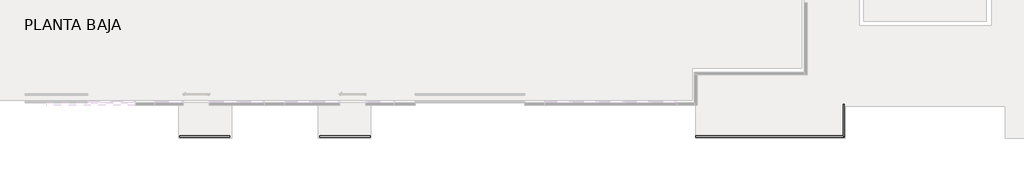
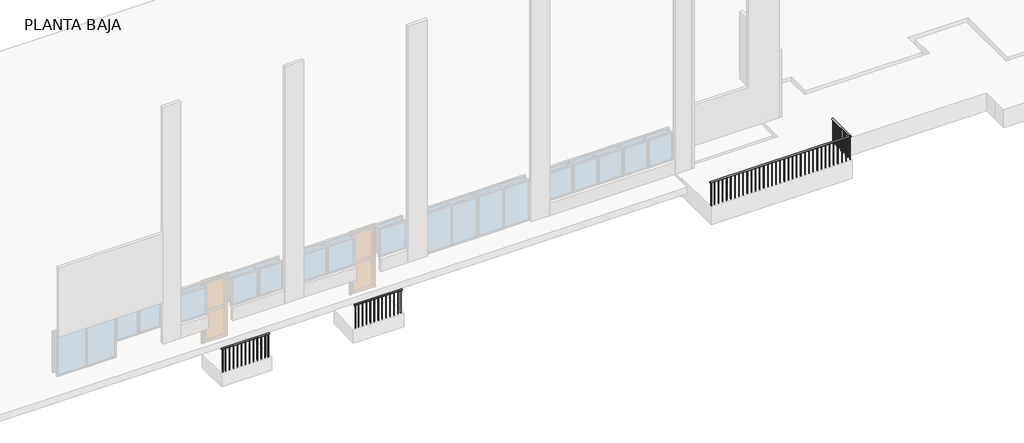
# One storey, part 3 of 4: 3 railings.
"""IFC4 building model written with IfcOpenShell, lengths in millimetres."""

import ifcopenshell
import ifcopenshell.guid

model = None  # the IFC model being written
_history = None  # IfcOwnerHistory: only IFC2X3 demands one
_inside = {}  # id of a spatial element -> (the spatial element, [elements in it])
_under = {}  # id of a project, library or spatial element -> (it, [spatial elements below it])
_declared = {}  # id of a project -> (the project, [libraries it declares])
_typed = {}  # id of a type object -> (the type object, [elements of that type])
_made_of = {}  # id of a material, layer set ... -> (it, [elements and type objects made of it])


def new_model(schema):
    """Start an empty IFC model of exactly this schema.

    Asked for "IFC4X3", IfcOpenShell would pick the latest addendum, in which some entities
    have other attributes; the version numbers below select the first issue.
    IFC2X3 requires an IfcOwnerHistory on every rooted entity: one is made here for all.
    """
    global model, _history
    if schema == "IFC4X3":
        model = ifcopenshell.file(schema_version=(4, 3, 0, 0))
    else:
        model = ifcopenshell.file(schema=schema)
    _inside.clear()
    _under.clear()
    _declared.clear()
    _typed.clear()
    _made_of.clear()
    _history = None
    if model.schema == "IFC2X3":
        org = make("IfcOrganization", Name="unknown")
        user = make(
            "IfcPersonAndOrganization",
            ThePerson=make("IfcPerson", FamilyName="unknown"),
            TheOrganization=org,
        )
        app = make(
            "IfcApplication",
            ApplicationDeveloper=org,
            Version="unknown",
            ApplicationFullName="unknown",
            ApplicationIdentifier="unknown",
        )
        _history = make(
            "IfcOwnerHistory",
            OwningUser=user,
            OwningApplication=app,
            ChangeAction="ADDED",
            CreationDate=0,
        )
    return model


def make(cls, **values):
    """One entity of the class cls with the attributes given. An attribute that is None is left unset."""
    return model.create_entity(
        cls, **{name: value for name, value in values.items() if value is not None}
    )


def rooted(cls, **values):
    """An entity with a GlobalId (a new one), such as an element, a storey or a relation."""
    return make(cls, GlobalId=ifcopenshell.guid.new(), OwnerHistory=_history, **values)


def si_unit(unit_type, name, prefix=None):
    """IfcSIUnit, for example si_unit("LENGTHUNIT", "METRE", prefix="MILLI")."""
    return make("IfcSIUnit", UnitType=unit_type, Prefix=prefix, Name=name)


def assignment(units):
    """IfcUnitAssignment: the units of a project."""
    return None if units is None else make("IfcUnitAssignment", Units=units)


def point(xyz):
    """IfcCartesianPoint."""
    return None if xyz is None else make("IfcCartesianPoint", Coordinates=xyz)


def direction(xyz):
    """IfcDirection."""
    return None if xyz is None else make("IfcDirection", DirectionRatios=xyz)


def frame(location, z_axis=None, x_axis=None):
    """IfcAxis2Placement3D, a coordinate frame: its origin and axes. An axis left out is left unset."""
    return make(
        "IfcAxis2Placement3D",
        Location=point(location),
        Axis=direction(z_axis),
        RefDirection=direction(x_axis),
    )


def frame_2d(location, x_axis=None):
    """IfcAxis2Placement2D, a coordinate frame in the plane: its origin and x axis."""
    return make(
        "IfcAxis2Placement2D", Location=point(location), RefDirection=direction(x_axis)
    )


def origin():
    """The frame at (0, 0, 0) with its axes left unset."""
    return frame((0.0, 0.0, 0.0))


def place(relative_to, where):
    """IfcLocalPlacement: puts the frame where relative to a parent placement (None: the world)."""
    return make(
        "IfcLocalPlacement", PlacementRelTo=relative_to, RelativePlacement=where
    )


def context(
    kind, dimensions, precision=None, world=None, true_north=None, identifier=None
):
    """IfcGeometricRepresentationContext, for example the 3D "Model" context."""
    return make(
        "IfcGeometricRepresentationContext",
        ContextIdentifier=identifier,
        ContextType=kind,
        CoordinateSpaceDimension=dimensions,
        Precision=precision,
        WorldCoordinateSystem=world,
        TrueNorth=true_north,
    )


def project(units=None, contexts=None):
    """IfcProject with its units and contexts."""
    return rooted(
        "IfcProject",
        Name="project",
        RepresentationContexts=contexts,
        UnitsInContext=assignment(units),
    )


def spatial(cls, under=None, at=None, **own):
    """A site, building, storey or space (cls), placed at a placement, below another one or the project."""
    s = rooted(cls, ObjectPlacement=at, **own)
    if under is not None:
        _under.setdefault(under.id(), (under, []))[1].append(s)
    return s


def circle_curve(where, radius):
    """IfcCircle in the frame where."""
    return make("IfcCircle", Position=where, Radius=radius)


def ellipse_curve(where, semi_axis1, semi_axis2):
    """IfcEllipse in the frame where."""
    return make(
        "IfcEllipse", Position=where, SemiAxis1=semi_axis1, SemiAxis2=semi_axis2
    )


def trimmed(basis, trim1, trim2, sense, master):
    """IfcTrimmedCurve: the piece of a basis curve between two trims."""
    return make(
        "IfcTrimmedCurve",
        BasisCurve=basis,
        Trim1=trim1,
        Trim2=trim2,
        SenseAgreement=sense,
        MasterRepresentation=master,
    )


def segment(curve, same_sense, transition):
    """IfcCompositeCurveSegment."""
    return make(
        "IfcCompositeCurveSegment",
        Transition=transition,
        SameSense=same_sense,
        ParentCurve=curve,
    )


def composite_curve(segments, self_intersect=None):
    """IfcCompositeCurve: segments joined end to end."""
    return make("IfcCompositeCurve", Segments=segments, SelfIntersect=self_intersect)


def outline(outer, holes=None, kind="AREA"):
    """IfcArbitraryClosedProfileDef: a profile drawn as a closed curve; with holes, ...WithVoids."""
    if holes is None:
        return make("IfcArbitraryClosedProfileDef", ProfileType=kind, OuterCurve=outer)
    return make(
        "IfcArbitraryProfileDefWithVoids",
        ProfileType=kind,
        OuterCurve=outer,
        InnerCurves=holes,
    )


def extrude(swept, where, along, depth):
    """IfcExtrudedAreaSolid: the profile swept, set in the frame where, extruded along a direction by depth."""
    return make(
        "IfcExtrudedAreaSolid",
        SweptArea=swept,
        Position=where,
        ExtrudedDirection=direction(along),
        Depth=depth,
    )


def shape(context_of_items, identifier, shape_type, items):
    """IfcShapeRepresentation: the items that make up one representation, for example the "Body"."""
    return make(
        "IfcShapeRepresentation",
        ContextOfItems=context_of_items,
        RepresentationIdentifier=identifier,
        RepresentationType=shape_type,
        Items=items,
    )


def made_of(thing, what):
    """Note that an element or type object is made of a material, layer set ...; save() writes the relation."""
    if what is not None:
        _made_of.setdefault(what.id(), (what, []))[1].append(thing)
    return thing


def element(
    cls,
    number,
    at=None,
    inside=None,
    cuts=None,
    type_object=None,
    material=None,
    context=None,
    identifier="Body",
    shape_type=None,
    held_by="IfcProductDefinitionShape",
    body=None,
    shapes=None,
    **own,
):
    """One element of the class cls, such as IfcWall. Its Tag is "e" and its number.

    at: its placement. inside: the storey or other place that contains it. cuts: it is an
    opening in that element (IfcRelVoidsElement). A single representation is given by context,
    identifier, shape_type and body (its items); several are given by shapes. held_by: the class
    of the entity that holds the representations. save() writes the other relations.
    """
    e = rooted(cls, Tag="e%d" % number, ObjectPlacement=at, **own)
    if body is not None:
        shapes = [shape(context, identifier, shape_type, body)]
    if shapes is not None:
        e.Representation = make(held_by, Representations=shapes)
    if inside is not None:
        _inside.setdefault(inside.id(), (inside, []))[1].append(e)
    if cuts is not None:
        rooted(
            "IfcRelVoidsElement", RelatingBuildingElement=cuts, RelatedOpeningElement=e
        )
    if type_object is not None:
        _typed.setdefault(type_object.id(), (type_object, []))[1].append(e)
    return made_of(e, material)


def aggregate(whole, parts):
    """IfcRelAggregates: a whole, such as a stair, and the parts it consists of."""
    return rooted("IfcRelAggregates", RelatingObject=whole, RelatedObjects=parts)


def save(model, path):
    """Write the relations noted so far, then the file.

    IfcRelAggregates (storeys below a building ...), IfcRelContainedInSpatialStructure (elements
    in a storey), IfcRelDefinesByType, IfcRelAssociatesMaterial and IfcRelDeclares: one each for
    every whole, place, type object, material and project.
    """
    for whole, parts in _under.values():
        aggregate(whole, parts)
    for where, things in _inside.values():
        rooted(
            "IfcRelContainedInSpatialStructure",
            RelatedElements=things,
            RelatingStructure=where,
        )
    for kind, things in _typed.values():
        rooted("IfcRelDefinesByType", RelatedObjects=things, RelatingType=kind)
    for what, things in _made_of.values():
        rooted("IfcRelAssociatesMaterial", RelatedObjects=things, RelatingMaterial=what)
    for by, libraries in _declared.values():
        rooted("IfcRelDeclares", RelatingContext=by, RelatedDefinitions=libraries)
    model.write(path)


def plane_surface(at):
    """IfcPlane: the flat surface through the origin of the frame at, square to its z axis."""
    return make("IfcPlane", Position=at)


def cylinder_surface(at, radius):
    """IfcCylindricalSurface: all points at the distance radius from the z axis of the frame at."""
    return make("IfcCylindricalSurface", Position=at, Radius=radius)


def advanced_brep(points, edges, surfaces, faces):
    """IfcAdvancedBrep: a solid bounded by faces that lie on surfaces and meet in shared edges.

    An edge is (start, end): straight between two places in points (the first is 0);
    or (start, end, curve); or (start, end, curve, False) where it runs against its curve.
    A face is (place in surfaces, loops), or (place, loops, False) where it looks against
    its surface's normal. A loop lists edges by number (the first is 1), with a minus sign
    where the edge is run from its end to its start. The first loop is the outer one.
    """
    corners = [point(p) for p in points]
    vertices = [make("IfcVertexPoint", VertexGeometry=c) for c in corners]
    made = []
    for start, end, *more in edges:
        made.append(
            make(
                "IfcEdgeCurve",
                EdgeStart=vertices[start],
                EdgeEnd=vertices[end],
                EdgeGeometry=more[0] if more else make("IfcPolyline", Points=[corners[start], corners[end]]),
                SameSense=more[1] if len(more) > 1 else True,
            )
        )
    hull = []
    for where, loops, *sense in faces:
        bounds = []
        for j, loop in enumerate(loops):
            ring = [make("IfcOrientedEdge", EdgeElement=made[abs(k) - 1], Orientation=k > 0) for k in loop]
            bounds.append(
                make(
                    "IfcFaceOuterBound" if j == 0 else "IfcFaceBound",
                    Bound=make("IfcEdgeLoop", EdgeList=ring),
                    Orientation=True,
                )
            )
        hull.append(make("IfcAdvancedFace", Bounds=bounds, FaceSurface=surfaces[where], SameSense=sense[0] if sense else True))
    return make("IfcAdvancedBrep", Outer=make("IfcClosedShell", CfsFaces=hull))


model = new_model("IFC4")

# Units and contexts
model_context = context("Model", 3, world=origin())
ifc_project = project(units=[si_unit("LENGTHUNIT", "METRE", prefix="MILLI")], contexts=[model_context])

# Site, building, storey
site = spatial("IfcSite", under=ifc_project)
building = spatial("IfcBuilding", under=site)
storey = spatial("IfcBuildingStorey", under=building, Name="PLANTA BAJA", Elevation=700.0)

# Railings
placement = place(None, origin())
element("IfcRailing", 1, at=placement, inside=storey, context=model_context, shape_type="SolidModel", body=[
    advanced_brep(
    [(-7920.0, -1982.1086819, 1600.0), (-7920.0, -1932.1086819, 1600.0), (-2775.0, -1982.1086819, 1600.0), (-2825.0, -1932.1086819, 1600.0), (-2775.0, -837.1086819, 1600.0), (-2825.0, -837.1086819, 1600.0)],
    [
        (0, 1, circle_curve(frame((-7920.0, -1957.1086819, 1600.0), z_axis=(-1.0, 0.0, 0.0), x_axis=(0.0, 1.0, 0.0)), 25.0)),
        (1, 0, circle_curve(frame((-7920.0, -1957.1086819, 1600.0), z_axis=(-1.0, 0.0, 0.0), x_axis=(0.0, 1.0, 0.0)), 25.0)),
        (0, 2),
        (2, 3, ellipse_curve(frame((-2800.0, -1957.1086819, 1600.0), z_axis=(-0.7071067811865493, -0.7071067811865456, 0.0), x_axis=(-0.7071067811865457, 0.7071067811865493, 0.0)), 35.3553391, 25.0)),
        (3, 1),
        (3, 2, ellipse_curve(frame((-2800.0, -1957.1086819, 1600.0), z_axis=(-0.7071067811865493, -0.7071067811865456, 0.0), x_axis=(-0.7071067811865457, 0.7071067811865493, 0.0)), 35.3553391, 25.0)),
        (4, 5, circle_curve(frame((-2800.0, -837.1086819, 1600.0), z_axis=(0.0, 1.0, 0.0), x_axis=(-1.0, 0.0, 0.0)), 25.0)),
        (5, 4, circle_curve(frame((-2800.0, -837.1086819, 1600.0), z_axis=(0.0, 1.0, 0.0), x_axis=(-1.0, 0.0, 0.0)), 25.0)),
        (2, 4),
        (5, 3),
    ],
    [
        plane_surface(frame((-7920.0, -1957.1086819, 1600.0), z_axis=(-1.0, 0.0, 0.0), x_axis=(0.0, 1.0, 0.0))),
        cylinder_surface(frame((-7920.0, -1957.1086819, 1600.0), z_axis=(-1.0, 0.0, 0.0), x_axis=(0.0, 1.0, 0.0)), 25.0),
        plane_surface(frame((-2800.0, -837.1086819, 1600.0), z_axis=(0.0, 1.0, 0.0), x_axis=(0.0, 0.0, 1.0))),
        cylinder_surface(frame((-2800.0, -1957.1086819, 1600.0), z_axis=(0.0, -1.0, 0.0), x_axis=(-1.0, 0.0, 0.0)), 25.0),
    ],
    [
        (0, [[1, 2]]),
        (1, [[-1, 3, 4, 5]]),
        (1, [[-2, -5, 6, -3]]),
        (2, [[7, 8]]),
        (3, [[-4, 9, -8, 10]]),
        (3, [[-6, -10, -7, -9]]),
    ],
),
    extrude(outline(composite_curve([segment(trimmed(circle_curve(frame_2d((-2800.0, -974.4310123)), 10.0), [point((-2810.0, -974.4310123))], [point((-2790.0, -974.4310123))], False, "CARTESIAN"), True, "CONTINUOUS"), segment(trimmed(circle_curve(frame_2d((-2800.0, -974.4310123)), 10.0), [point((-2790.0, -974.4310123))], [point((-2810.0, -974.4310123))], False, "CARTESIAN"), True, "CONTINUOUS")], self_intersect=False)), frame((0.0, 0.0, 700.0), z_axis=(0.0, 0.0, 1.0), x_axis=(1.0, 0.0, 0.0)), (0.0, 0.0, 1.0), 875.0),
    extrude(outline(composite_curve([segment(trimmed(circle_curve(frame_2d((-2800.0, -1111.7533428)), 10.0), [point((-2810.0, -1111.7533428))], [point((-2790.0, -1111.7533428))], False, "CARTESIAN"), True, "CONTINUOUS"), segment(trimmed(circle_curve(frame_2d((-2800.0, -1111.7533428)), 10.0), [point((-2790.0, -1111.7533428))], [point((-2810.0, -1111.7533428))], False, "CARTESIAN"), True, "CONTINUOUS")], self_intersect=False)), frame((0.0, 0.0, 700.0), z_axis=(0.0, 0.0, 1.0), x_axis=(1.0, 0.0, 0.0)), (0.0, 0.0, 1.0), 875.0),
    extrude(outline(composite_curve([segment(trimmed(circle_curve(frame_2d((-2800.0, -1249.0756733)), 10.0), [point((-2810.0, -1249.0756733))], [point((-2790.0, -1249.0756733))], False, "CARTESIAN"), True, "CONTINUOUS"), segment(trimmed(circle_curve(frame_2d((-2800.0, -1249.0756733)), 10.0), [point((-2790.0, -1249.0756733))], [point((-2810.0, -1249.0756733))], False, "CARTESIAN"), True, "CONTINUOUS")], self_intersect=False)), frame((0.0, 0.0, 700.0), z_axis=(0.0, 0.0, 1.0), x_axis=(1.0, 0.0, 0.0)), (0.0, 0.0, 1.0), 875.0),
    extrude(outline(composite_curve([segment(trimmed(circle_curve(frame_2d((-2800.0, -1529.0756733)), 10.0), [point((-2810.0, -1529.0756733))], [point((-2790.0, -1529.0756733))], False, "CARTESIAN"), True, "CONTINUOUS"), segment(trimmed(circle_curve(frame_2d((-2800.0, -1529.0756733)), 10.0), [point((-2790.0, -1529.0756733))], [point((-2810.0, -1529.0756733))], False, "CARTESIAN"), True, "CONTINUOUS")], self_intersect=False)), frame((0.0, 0.0, 700.0), z_axis=(0.0, 0.0, 1.0), x_axis=(1.0, 0.0, 0.0)), (0.0, 0.0, 1.0), 875.0),
    extrude(outline(composite_curve([segment(trimmed(circle_curve(frame_2d((-2800.0, -1671.7533428)), 10.0), [point((-2810.0, -1671.7533428))], [point((-2790.0, -1671.7533428))], False, "CARTESIAN"), True, "CONTINUOUS"), segment(trimmed(circle_curve(frame_2d((-2800.0, -1671.7533428)), 10.0), [point((-2790.0, -1671.7533428))], [point((-2810.0, -1671.7533428))], False, "CARTESIAN"), True, "CONTINUOUS")], self_intersect=False)), frame((0.0, 0.0, 700.0), z_axis=(0.0, 0.0, 1.0), x_axis=(1.0, 0.0, 0.0)), (0.0, 0.0, 1.0), 875.0),
    extrude(outline(composite_curve([segment(trimmed(circle_curve(frame_2d((-2800.0, -1814.4310123)), 10.0), [point((-2810.0, -1814.4310123))], [point((-2790.0, -1814.4310123))], False, "CARTESIAN"), True, "CONTINUOUS"), segment(trimmed(circle_curve(frame_2d((-2800.0, -1814.4310123)), 10.0), [point((-2790.0, -1814.4310123))], [point((-2810.0, -1814.4310123))], False, "CARTESIAN"), True, "CONTINUOUS")], self_intersect=False)), frame((0.0, 0.0, 700.0), z_axis=(0.0, 0.0, 1.0), x_axis=(1.0, 0.0, 0.0)), (0.0, 0.0, 1.0), 875.0),
    extrude(outline(composite_curve([segment(trimmed(circle_curve(frame_2d((-2950.5882353, -1957.1086819)), 10.0), [point((-2950.5882353, -1947.1086819))], [point((-2950.5882353, -1967.1086819))], False, "CARTESIAN"), True, "CONTINUOUS"), segment(trimmed(circle_curve(frame_2d((-2950.5882353, -1957.1086819)), 10.0), [point((-2950.5882353, -1967.1086819))], [point((-2950.5882353, -1947.1086819))], False, "CARTESIAN"), True, "CONTINUOUS")], self_intersect=False)), frame((0.0, 0.0, 700.0), z_axis=(0.0, 0.0, 1.0), x_axis=(1.0, 0.0, 0.0)), (0.0, 0.0, 1.0), 875.0),
    extrude(outline(composite_curve([segment(trimmed(circle_curve(frame_2d((-3101.1764706, -1957.1086819)), 10.0), [point((-3101.1764706, -1947.1086819))], [point((-3101.1764706, -1967.1086819))], False, "CARTESIAN"), True, "CONTINUOUS"), segment(trimmed(circle_curve(frame_2d((-3101.1764706, -1957.1086819)), 10.0), [point((-3101.1764706, -1967.1086819))], [point((-3101.1764706, -1947.1086819))], False, "CARTESIAN"), True, "CONTINUOUS")], self_intersect=False)), frame((0.0, 0.0, 700.0), z_axis=(0.0, 0.0, 1.0), x_axis=(1.0, 0.0, 0.0)), (0.0, 0.0, 1.0), 875.0),
    extrude(outline(composite_curve([segment(trimmed(circle_curve(frame_2d((-3251.7647059, -1957.1086819)), 10.0), [point((-3251.7647059, -1947.1086819))], [point((-3251.7647059, -1967.1086819))], False, "CARTESIAN"), True, "CONTINUOUS"), segment(trimmed(circle_curve(frame_2d((-3251.7647059, -1957.1086819)), 10.0), [point((-3251.7647059, -1967.1086819))], [point((-3251.7647059, -1947.1086819))], False, "CARTESIAN"), True, "CONTINUOUS")], self_intersect=False)), frame((0.0, 0.0, 700.0), z_axis=(0.0, 0.0, 1.0), x_axis=(1.0, 0.0, 0.0)), (0.0, 0.0, 1.0), 875.0),
    extrude(outline(composite_curve([segment(trimmed(circle_curve(frame_2d((-3402.3529412, -1957.1086819)), 10.0), [point((-3402.3529412, -1947.1086819))], [point((-3402.3529412, -1967.1086819))], False, "CARTESIAN"), True, "CONTINUOUS"), segment(trimmed(circle_curve(frame_2d((-3402.3529412, -1957.1086819)), 10.0), [point((-3402.3529412, -1967.1086819))], [point((-3402.3529412, -1947.1086819))], False, "CARTESIAN"), True, "CONTINUOUS")], self_intersect=False)), frame((0.0, 0.0, 700.0), z_axis=(0.0, 0.0, 1.0), x_axis=(1.0, 0.0, 0.0)), (0.0, 0.0, 1.0), 875.0),
    extrude(outline(composite_curve([segment(trimmed(circle_curve(frame_2d((-3552.9411765, -1957.1086819)), 10.0), [point((-3552.9411765, -1947.1086819))], [point((-3552.9411765, -1967.1086819))], False, "CARTESIAN"), True, "CONTINUOUS"), segment(trimmed(circle_curve(frame_2d((-3552.9411765, -1957.1086819)), 10.0), [point((-3552.9411765, -1967.1086819))], [point((-3552.9411765, -1947.1086819))], False, "CARTESIAN"), True, "CONTINUOUS")], self_intersect=False)), frame((0.0, 0.0, 700.0), z_axis=(0.0, 0.0, 1.0), x_axis=(1.0, 0.0, 0.0)), (0.0, 0.0, 1.0), 875.0),
    extrude(outline(composite_curve([segment(trimmed(circle_curve(frame_2d((-3703.5294118, -1957.1086819)), 10.0), [point((-3703.5294118, -1947.1086819))], [point((-3703.5294118, -1967.1086819))], False, "CARTESIAN"), True, "CONTINUOUS"), segment(trimmed(circle_curve(frame_2d((-3703.5294118, -1957.1086819)), 10.0), [point((-3703.5294118, -1967.1086819))], [point((-3703.5294118, -1947.1086819))], False, "CARTESIAN"), True, "CONTINUOUS")], self_intersect=False)), frame((0.0, 0.0, 700.0), z_axis=(0.0, 0.0, 1.0), x_axis=(1.0, 0.0, 0.0)), (0.0, 0.0, 1.0), 875.0),
    extrude(outline(composite_curve([segment(trimmed(circle_curve(frame_2d((-3854.1176471, -1957.1086819)), 10.0), [point((-3854.1176471, -1947.1086819))], [point((-3854.1176471, -1967.1086819))], False, "CARTESIAN"), True, "CONTINUOUS"), segment(trimmed(circle_curve(frame_2d((-3854.1176471, -1957.1086819)), 10.0), [point((-3854.1176471, -1967.1086819))], [point((-3854.1176471, -1947.1086819))], False, "CARTESIAN"), True, "CONTINUOUS")], self_intersect=False)), frame((0.0, 0.0, 700.0), z_axis=(0.0, 0.0, 1.0), x_axis=(1.0, 0.0, 0.0)), (0.0, 0.0, 1.0), 875.0),
    extrude(outline(composite_curve([segment(trimmed(circle_curve(frame_2d((-4004.7058824, -1957.1086819)), 10.0), [point((-4004.7058824, -1947.1086819))], [point((-4004.7058824, -1967.1086819))], False, "CARTESIAN"), True, "CONTINUOUS"), segment(trimmed(circle_curve(frame_2d((-4004.7058824, -1957.1086819)), 10.0), [point((-4004.7058824, -1967.1086819))], [point((-4004.7058824, -1947.1086819))], False, "CARTESIAN"), True, "CONTINUOUS")], self_intersect=False)), frame((0.0, 0.0, 700.0), z_axis=(0.0, 0.0, 1.0), x_axis=(1.0, 0.0, 0.0)), (0.0, 0.0, 1.0), 875.0),
    extrude(outline(composite_curve([segment(trimmed(circle_curve(frame_2d((-4155.2941176, -1957.1086819)), 10.0), [point((-4155.2941176, -1947.1086819))], [point((-4155.2941176, -1967.1086819))], False, "CARTESIAN"), True, "CONTINUOUS"), segment(trimmed(circle_curve(frame_2d((-4155.2941176, -1957.1086819)), 10.0), [point((-4155.2941176, -1967.1086819))], [point((-4155.2941176, -1947.1086819))], False, "CARTESIAN"), True, "CONTINUOUS")], self_intersect=False)), frame((0.0, 0.0, 700.0), z_axis=(0.0, 0.0, 1.0), x_axis=(1.0, 0.0, 0.0)), (0.0, 0.0, 1.0), 875.0),
    extrude(outline(composite_curve([segment(trimmed(circle_curve(frame_2d((-4305.8823529, -1957.1086819)), 10.0), [point((-4305.8823529, -1947.1086819))], [point((-4305.8823529, -1967.1086819))], False, "CARTESIAN"), True, "CONTINUOUS"), segment(trimmed(circle_curve(frame_2d((-4305.8823529, -1957.1086819)), 10.0), [point((-4305.8823529, -1967.1086819))], [point((-4305.8823529, -1947.1086819))], False, "CARTESIAN"), True, "CONTINUOUS")], self_intersect=False)), frame((0.0, 0.0, 700.0), z_axis=(0.0, 0.0, 1.0), x_axis=(1.0, 0.0, 0.0)), (0.0, 0.0, 1.0), 875.0),
    extrude(outline(composite_curve([segment(trimmed(circle_curve(frame_2d((-4456.4705882, -1957.1086819)), 10.0), [point((-4456.4705882, -1947.1086819))], [point((-4456.4705882, -1967.1086819))], False, "CARTESIAN"), True, "CONTINUOUS"), segment(trimmed(circle_curve(frame_2d((-4456.4705882, -1957.1086819)), 10.0), [point((-4456.4705882, -1967.1086819))], [point((-4456.4705882, -1947.1086819))], False, "CARTESIAN"), True, "CONTINUOUS")], self_intersect=False)), frame((0.0, 0.0, 700.0), z_axis=(0.0, 0.0, 1.0), x_axis=(1.0, 0.0, 0.0)), (0.0, 0.0, 1.0), 875.0),
    extrude(outline(composite_curve([segment(trimmed(circle_curve(frame_2d((-4607.0588235, -1957.1086819)), 10.0), [point((-4607.0588235, -1947.1086819))], [point((-4607.0588235, -1967.1086819))], False, "CARTESIAN"), True, "CONTINUOUS"), segment(trimmed(circle_curve(frame_2d((-4607.0588235, -1957.1086819)), 10.0), [point((-4607.0588235, -1967.1086819))], [point((-4607.0588235, -1947.1086819))], False, "CARTESIAN"), True, "CONTINUOUS")], self_intersect=False)), frame((0.0, 0.0, 700.0), z_axis=(0.0, 0.0, 1.0), x_axis=(1.0, 0.0, 0.0)), (0.0, 0.0, 1.0), 875.0),
    extrude(outline(composite_curve([segment(trimmed(circle_curve(frame_2d((-4757.6470588, -1957.1086819)), 10.0), [point((-4757.6470588, -1947.1086819))], [point((-4757.6470588, -1967.1086819))], False, "CARTESIAN"), True, "CONTINUOUS"), segment(trimmed(circle_curve(frame_2d((-4757.6470588, -1957.1086819)), 10.0), [point((-4757.6470588, -1967.1086819))], [point((-4757.6470588, -1947.1086819))], False, "CARTESIAN"), True, "CONTINUOUS")], self_intersect=False)), frame((0.0, 0.0, 700.0), z_axis=(0.0, 0.0, 1.0), x_axis=(1.0, 0.0, 0.0)), (0.0, 0.0, 1.0), 875.0),
    extrude(outline(composite_curve([segment(trimmed(circle_curve(frame_2d((-4908.2352941, -1957.1086819)), 10.0), [point((-4908.2352941, -1947.1086819))], [point((-4908.2352941, -1967.1086819))], False, "CARTESIAN"), True, "CONTINUOUS"), segment(trimmed(circle_curve(frame_2d((-4908.2352941, -1957.1086819)), 10.0), [point((-4908.2352941, -1967.1086819))], [point((-4908.2352941, -1947.1086819))], False, "CARTESIAN"), True, "CONTINUOUS")], self_intersect=False)), frame((0.0, 0.0, 700.0), z_axis=(0.0, 0.0, 1.0), x_axis=(1.0, 0.0, 0.0)), (0.0, 0.0, 1.0), 875.0),
    extrude(outline(composite_curve([segment(trimmed(circle_curve(frame_2d((-5058.8235294, -1957.1086819)), 10.0), [point((-5058.8235294, -1947.1086819))], [point((-5058.8235294, -1967.1086819))], False, "CARTESIAN"), True, "CONTINUOUS"), segment(trimmed(circle_curve(frame_2d((-5058.8235294, -1957.1086819)), 10.0), [point((-5058.8235294, -1967.1086819))], [point((-5058.8235294, -1947.1086819))], False, "CARTESIAN"), True, "CONTINUOUS")], self_intersect=False)), frame((0.0, 0.0, 700.0), z_axis=(0.0, 0.0, 1.0), x_axis=(1.0, 0.0, 0.0)), (0.0, 0.0, 1.0), 875.0),
    extrude(outline(composite_curve([segment(trimmed(circle_curve(frame_2d((-5209.4117647, -1957.1086819)), 10.0), [point((-5209.4117647, -1947.1086819))], [point((-5209.4117647, -1967.1086819))], False, "CARTESIAN"), True, "CONTINUOUS"), segment(trimmed(circle_curve(frame_2d((-5209.4117647, -1957.1086819)), 10.0), [point((-5209.4117647, -1967.1086819))], [point((-5209.4117647, -1947.1086819))], False, "CARTESIAN"), True, "CONTINUOUS")], self_intersect=False)), frame((0.0, 0.0, 700.0), z_axis=(0.0, 0.0, 1.0), x_axis=(1.0, 0.0, 0.0)), (0.0, 0.0, 1.0), 875.0),
    extrude(outline(composite_curve([segment(trimmed(circle_curve(frame_2d((-5360.0, -1957.1086819)), 10.0), [point((-5360.0, -1947.1086819))], [point((-5360.0, -1967.1086819))], False, "CARTESIAN"), True, "CONTINUOUS"), segment(trimmed(circle_curve(frame_2d((-5360.0, -1957.1086819)), 10.0), [point((-5360.0, -1967.1086819))], [point((-5360.0, -1947.1086819))], False, "CARTESIAN"), True, "CONTINUOUS")], self_intersect=False)), frame((0.0, 0.0, 700.0), z_axis=(0.0, 0.0, 1.0), x_axis=(1.0, 0.0, 0.0)), (0.0, 0.0, 1.0), 875.0),
    extrude(outline(composite_curve([segment(trimmed(circle_curve(frame_2d((-5510.5882353, -1957.1086819)), 10.0), [point((-5510.5882353, -1947.1086819))], [point((-5510.5882353, -1967.1086819))], False, "CARTESIAN"), True, "CONTINUOUS"), segment(trimmed(circle_curve(frame_2d((-5510.5882353, -1957.1086819)), 10.0), [point((-5510.5882353, -1967.1086819))], [point((-5510.5882353, -1947.1086819))], False, "CARTESIAN"), True, "CONTINUOUS")], self_intersect=False)), frame((0.0, 0.0, 700.0), z_axis=(0.0, 0.0, 1.0), x_axis=(1.0, 0.0, 0.0)), (0.0, 0.0, 1.0), 875.0),
    extrude(outline(composite_curve([segment(trimmed(circle_curve(frame_2d((-5661.1764706, -1957.1086819)), 10.0), [point((-5661.1764706, -1947.1086819))], [point((-5661.1764706, -1967.1086819))], False, "CARTESIAN"), True, "CONTINUOUS"), segment(trimmed(circle_curve(frame_2d((-5661.1764706, -1957.1086819)), 10.0), [point((-5661.1764706, -1967.1086819))], [point((-5661.1764706, -1947.1086819))], False, "CARTESIAN"), True, "CONTINUOUS")], self_intersect=False)), frame((0.0, 0.0, 700.0), z_axis=(0.0, 0.0, 1.0), x_axis=(1.0, 0.0, 0.0)), (0.0, 0.0, 1.0), 875.0),
    extrude(outline(composite_curve([segment(trimmed(circle_curve(frame_2d((-5811.7647059, -1957.1086819)), 10.0), [point((-5811.7647059, -1947.1086819))], [point((-5811.7647059, -1967.1086819))], False, "CARTESIAN"), True, "CONTINUOUS"), segment(trimmed(circle_curve(frame_2d((-5811.7647059, -1957.1086819)), 10.0), [point((-5811.7647059, -1967.1086819))], [point((-5811.7647059, -1947.1086819))], False, "CARTESIAN"), True, "CONTINUOUS")], self_intersect=False)), frame((0.0, 0.0, 700.0), z_axis=(0.0, 0.0, 1.0), x_axis=(1.0, 0.0, 0.0)), (0.0, 0.0, 1.0), 875.0),
    extrude(outline(composite_curve([segment(trimmed(circle_curve(frame_2d((-5962.3529412, -1957.1086819)), 10.0), [point((-5962.3529412, -1947.1086819))], [point((-5962.3529412, -1967.1086819))], False, "CARTESIAN"), True, "CONTINUOUS"), segment(trimmed(circle_curve(frame_2d((-5962.3529412, -1957.1086819)), 10.0), [point((-5962.3529412, -1967.1086819))], [point((-5962.3529412, -1947.1086819))], False, "CARTESIAN"), True, "CONTINUOUS")], self_intersect=False)), frame((0.0, 0.0, 700.0), z_axis=(0.0, 0.0, 1.0), x_axis=(1.0, 0.0, 0.0)), (0.0, 0.0, 1.0), 875.0),
    extrude(outline(composite_curve([segment(trimmed(circle_curve(frame_2d((-6112.9411765, -1957.1086819)), 10.0), [point((-6112.9411765, -1947.1086819))], [point((-6112.9411765, -1967.1086819))], False, "CARTESIAN"), True, "CONTINUOUS"), segment(trimmed(circle_curve(frame_2d((-6112.9411765, -1957.1086819)), 10.0), [point((-6112.9411765, -1967.1086819))], [point((-6112.9411765, -1947.1086819))], False, "CARTESIAN"), True, "CONTINUOUS")], self_intersect=False)), frame((0.0, 0.0, 700.0), z_axis=(0.0, 0.0, 1.0), x_axis=(1.0, 0.0, 0.0)), (0.0, 0.0, 1.0), 875.0),
    extrude(outline(composite_curve([segment(trimmed(circle_curve(frame_2d((-6263.5294118, -1957.1086819)), 10.0), [point((-6263.5294118, -1947.1086819))], [point((-6263.5294118, -1967.1086819))], False, "CARTESIAN"), True, "CONTINUOUS"), segment(trimmed(circle_curve(frame_2d((-6263.5294118, -1957.1086819)), 10.0), [point((-6263.5294118, -1967.1086819))], [point((-6263.5294118, -1947.1086819))], False, "CARTESIAN"), True, "CONTINUOUS")], self_intersect=False)), frame((0.0, 0.0, 700.0), z_axis=(0.0, 0.0, 1.0), x_axis=(1.0, 0.0, 0.0)), (0.0, 0.0, 1.0), 875.0),
    extrude(outline(composite_curve([segment(trimmed(circle_curve(frame_2d((-6414.1176471, -1957.1086819)), 10.0), [point((-6414.1176471, -1947.1086819))], [point((-6414.1176471, -1967.1086819))], False, "CARTESIAN"), True, "CONTINUOUS"), segment(trimmed(circle_curve(frame_2d((-6414.1176471, -1957.1086819)), 10.0), [point((-6414.1176471, -1967.1086819))], [point((-6414.1176471, -1947.1086819))], False, "CARTESIAN"), True, "CONTINUOUS")], self_intersect=False)), frame((0.0, 0.0, 700.0), z_axis=(0.0, 0.0, 1.0), x_axis=(1.0, 0.0, 0.0)), (0.0, 0.0, 1.0), 875.0),
    extrude(outline(composite_curve([segment(trimmed(circle_curve(frame_2d((-6564.7058824, -1957.1086819)), 10.0), [point((-6564.7058824, -1947.1086819))], [point((-6564.7058824, -1967.1086819))], False, "CARTESIAN"), True, "CONTINUOUS"), segment(trimmed(circle_curve(frame_2d((-6564.7058824, -1957.1086819)), 10.0), [point((-6564.7058824, -1967.1086819))], [point((-6564.7058824, -1947.1086819))], False, "CARTESIAN"), True, "CONTINUOUS")], self_intersect=False)), frame((0.0, 0.0, 700.0), z_axis=(0.0, 0.0, 1.0), x_axis=(1.0, 0.0, 0.0)), (0.0, 0.0, 1.0), 875.0),
    extrude(outline(composite_curve([segment(trimmed(circle_curve(frame_2d((-6715.2941176, -1957.1086819)), 10.0), [point((-6715.2941176, -1947.1086819))], [point((-6715.2941176, -1967.1086819))], False, "CARTESIAN"), True, "CONTINUOUS"), segment(trimmed(circle_curve(frame_2d((-6715.2941176, -1957.1086819)), 10.0), [point((-6715.2941176, -1967.1086819))], [point((-6715.2941176, -1947.1086819))], False, "CARTESIAN"), True, "CONTINUOUS")], self_intersect=False)), frame((0.0, 0.0, 700.0), z_axis=(0.0, 0.0, 1.0), x_axis=(1.0, 0.0, 0.0)), (0.0, 0.0, 1.0), 875.0),
    extrude(outline(composite_curve([segment(trimmed(circle_curve(frame_2d((-6865.8823529, -1957.1086819)), 10.0), [point((-6865.8823529, -1947.1086819))], [point((-6865.8823529, -1967.1086819))], False, "CARTESIAN"), True, "CONTINUOUS"), segment(trimmed(circle_curve(frame_2d((-6865.8823529, -1957.1086819)), 10.0), [point((-6865.8823529, -1967.1086819))], [point((-6865.8823529, -1947.1086819))], False, "CARTESIAN"), True, "CONTINUOUS")], self_intersect=False)), frame((0.0, 0.0, 700.0), z_axis=(0.0, 0.0, 1.0), x_axis=(1.0, 0.0, 0.0)), (0.0, 0.0, 1.0), 875.0),
    extrude(outline(composite_curve([segment(trimmed(circle_curve(frame_2d((-7016.4705882, -1957.1086819)), 10.0), [point((-7016.4705882, -1947.1086819))], [point((-7016.4705882, -1967.1086819))], False, "CARTESIAN"), True, "CONTINUOUS"), segment(trimmed(circle_curve(frame_2d((-7016.4705882, -1957.1086819)), 10.0), [point((-7016.4705882, -1967.1086819))], [point((-7016.4705882, -1947.1086819))], False, "CARTESIAN"), True, "CONTINUOUS")], self_intersect=False)), frame((0.0, 0.0, 700.0), z_axis=(0.0, 0.0, 1.0), x_axis=(1.0, 0.0, 0.0)), (0.0, 0.0, 1.0), 875.0),
    extrude(outline(composite_curve([segment(trimmed(circle_curve(frame_2d((-7167.0588235, -1957.1086819)), 10.0), [point((-7167.0588235, -1947.1086819))], [point((-7167.0588235, -1967.1086819))], False, "CARTESIAN"), True, "CONTINUOUS"), segment(trimmed(circle_curve(frame_2d((-7167.0588235, -1957.1086819)), 10.0), [point((-7167.0588235, -1967.1086819))], [point((-7167.0588235, -1947.1086819))], False, "CARTESIAN"), True, "CONTINUOUS")], self_intersect=False)), frame((0.0, 0.0, 700.0), z_axis=(0.0, 0.0, 1.0), x_axis=(1.0, 0.0, 0.0)), (0.0, 0.0, 1.0), 875.0),
    extrude(outline(composite_curve([segment(trimmed(circle_curve(frame_2d((-7317.6470588, -1957.1086819)), 10.0), [point((-7317.6470588, -1947.1086819))], [point((-7317.6470588, -1967.1086819))], False, "CARTESIAN"), True, "CONTINUOUS"), segment(trimmed(circle_curve(frame_2d((-7317.6470588, -1957.1086819)), 10.0), [point((-7317.6470588, -1967.1086819))], [point((-7317.6470588, -1947.1086819))], False, "CARTESIAN"), True, "CONTINUOUS")], self_intersect=False)), frame((0.0, 0.0, 700.0), z_axis=(0.0, 0.0, 1.0), x_axis=(1.0, 0.0, 0.0)), (0.0, 0.0, 1.0), 875.0),
    extrude(outline(composite_curve([segment(trimmed(circle_curve(frame_2d((-7468.2352941, -1957.1086819)), 10.0), [point((-7468.2352941, -1947.1086819))], [point((-7468.2352941, -1967.1086819))], False, "CARTESIAN"), True, "CONTINUOUS"), segment(trimmed(circle_curve(frame_2d((-7468.2352941, -1957.1086819)), 10.0), [point((-7468.2352941, -1967.1086819))], [point((-7468.2352941, -1947.1086819))], False, "CARTESIAN"), True, "CONTINUOUS")], self_intersect=False)), frame((0.0, 0.0, 700.0), z_axis=(0.0, 0.0, 1.0), x_axis=(1.0, 0.0, 0.0)), (0.0, 0.0, 1.0), 875.0),
    extrude(outline(composite_curve([segment(trimmed(circle_curve(frame_2d((-7618.8235294, -1957.1086819)), 10.0), [point((-7618.8235294, -1947.1086819))], [point((-7618.8235294, -1967.1086819))], False, "CARTESIAN"), True, "CONTINUOUS"), segment(trimmed(circle_curve(frame_2d((-7618.8235294, -1957.1086819)), 10.0), [point((-7618.8235294, -1967.1086819))], [point((-7618.8235294, -1947.1086819))], False, "CARTESIAN"), True, "CONTINUOUS")], self_intersect=False)), frame((0.0, 0.0, 700.0), z_axis=(0.0, 0.0, 1.0), x_axis=(1.0, 0.0, 0.0)), (0.0, 0.0, 1.0), 875.0),
    extrude(outline(composite_curve([segment(trimmed(circle_curve(frame_2d((-7769.4117647, -1957.1086819)), 10.0), [point((-7769.4117647, -1947.1086819))], [point((-7769.4117647, -1967.1086819))], False, "CARTESIAN"), True, "CONTINUOUS"), segment(trimmed(circle_curve(frame_2d((-7769.4117647, -1957.1086819)), 10.0), [point((-7769.4117647, -1967.1086819))], [point((-7769.4117647, -1947.1086819))], False, "CARTESIAN"), True, "CONTINUOUS")], self_intersect=False)), frame((0.0, 0.0, 700.0), z_axis=(0.0, 0.0, 1.0), x_axis=(1.0, 0.0, 0.0)), (0.0, 0.0, 1.0), 875.0),
    extrude(outline(composite_curve([segment(trimmed(circle_curve(frame_2d((-2800.0, -1386.3980037)), 10.0), [point((-2810.0, -1386.3980037))], [point((-2790.0, -1386.3980037))], False, "CARTESIAN"), True, "CONTINUOUS"), segment(trimmed(circle_curve(frame_2d((-2800.0, -1386.3980037)), 10.0), [point((-2790.0, -1386.3980037))], [point((-2810.0, -1386.3980037))], False, "CARTESIAN"), True, "CONTINUOUS")], self_intersect=False)), frame((0.0, 0.0, 700.0), z_axis=(0.0, 0.0, 1.0), x_axis=(1.0, 0.0, 0.0)), (0.0, 0.0, 1.0), 875.0),
    extrude(outline(composite_curve([segment(trimmed(circle_curve(frame_2d((-2800.0, -1957.1086819)), 10.0), [point((-2800.0, -1947.1086819))], [point((-2800.0, -1967.1086819))], False, "CARTESIAN"), True, "CONTINUOUS"), segment(trimmed(circle_curve(frame_2d((-2800.0, -1957.1086819)), 10.0), [point((-2800.0, -1967.1086819))], [point((-2800.0, -1947.1086819))], False, "CARTESIAN"), True, "CONTINUOUS")], self_intersect=False)), frame((0.0, 0.0, 700.0), z_axis=(0.0, 0.0, 1.0), x_axis=(1.0, 0.0, 0.0)), (0.0, 0.0, 1.0), 875.0),
    extrude(outline(composite_curve([segment(trimmed(circle_curve(frame_2d((-2800.0, -877.1086819)), 15.0), [point((-2815.0, -877.1086819))], [point((-2785.0, -877.1086819))], False, "CARTESIAN"), True, "CONTINUOUS"), segment(trimmed(circle_curve(frame_2d((-2800.0, -877.1086819)), 15.0), [point((-2785.0, -877.1086819))], [point((-2815.0, -877.1086819))], False, "CARTESIAN"), True, "CONTINUOUS")], self_intersect=False)), frame((0.0, 0.0, 700.0), z_axis=(0.0, 0.0, 1.0), x_axis=(1.0, 0.0, 0.0)), (0.0, 0.0, 1.0), 875.0),
    extrude(outline(composite_curve([segment(trimmed(circle_curve(frame_2d((-7880.0, -1957.1086819)), 15.0), [point((-7880.0, -1942.1086819))], [point((-7880.0, -1972.1086819))], False, "CARTESIAN"), True, "CONTINUOUS"), segment(trimmed(circle_curve(frame_2d((-7880.0, -1957.1086819)), 15.0), [point((-7880.0, -1972.1086819))], [point((-7880.0, -1942.1086819))], False, "CARTESIAN"), True, "CONTINUOUS")], self_intersect=False)), frame((0.0, 0.0, 700.0), z_axis=(0.0, 0.0, 1.0), x_axis=(1.0, 0.0, 0.0)), (0.0, 0.0, 1.0), 875.0),
])
element("IfcRailing", 2, at=placement, inside=storey, context=model_context, shape_type="SweptSolid", body=[
    extrude(outline(composite_curve([segment(trimmed(circle_curve(frame_2d((-1957.1086819, 1425.0)), 25.0), [point((-1982.1086819, 1425.0))], [point((-1932.1086819, 1425.0))], False, "CARTESIAN"), True, "CONTINUOUS"), segment(trimmed(circle_curve(frame_2d((-1957.1086819, 1425.0)), 25.0), [point((-1932.1086819, 1425.0))], [point((-1982.1086819, 1425.0))], False, "CARTESIAN"), True, "CONTINUOUS")], self_intersect=False)), frame((-25800.0, 0.0, 0.0), z_axis=(1.0, 0.0, 0.0), x_axis=(0.0, 1.0, 0.0)), (0.0, 0.0, 1.0), 1740.0),
    extrude(outline(composite_curve([segment(trimmed(circle_curve(frame_2d((-24205.0, -1957.1086819)), 10.0), [point((-24205.0, -1947.1086819))], [point((-24205.0, -1967.1086819))], False, "CARTESIAN"), True, "CONTINUOUS"), segment(trimmed(circle_curve(frame_2d((-24205.0, -1957.1086819)), 10.0), [point((-24205.0, -1967.1086819))], [point((-24205.0, -1947.1086819))], False, "CARTESIAN"), True, "CONTINUOUS")], self_intersect=False)), frame((0.0, 0.0, 525.0), z_axis=(0.0, 0.0, 1.0), x_axis=(1.0, 0.0, 0.0)), (0.0, 0.0, 1.0), 875.0),
    extrude(outline(composite_curve([segment(trimmed(circle_curve(frame_2d((-24350.0, -1957.1086819)), 10.0), [point((-24350.0, -1947.1086819))], [point((-24350.0, -1967.1086819))], False, "CARTESIAN"), True, "CONTINUOUS"), segment(trimmed(circle_curve(frame_2d((-24350.0, -1957.1086819)), 10.0), [point((-24350.0, -1967.1086819))], [point((-24350.0, -1947.1086819))], False, "CARTESIAN"), True, "CONTINUOUS")], self_intersect=False)), frame((0.0, 0.0, 525.0), z_axis=(0.0, 0.0, 1.0), x_axis=(1.0, 0.0, 0.0)), (0.0, 0.0, 1.0), 875.0),
    extrude(outline(composite_curve([segment(trimmed(circle_curve(frame_2d((-24495.0, -1957.1086819)), 10.0), [point((-24495.0, -1947.1086819))], [point((-24495.0, -1967.1086819))], False, "CARTESIAN"), True, "CONTINUOUS"), segment(trimmed(circle_curve(frame_2d((-24495.0, -1957.1086819)), 10.0), [point((-24495.0, -1967.1086819))], [point((-24495.0, -1947.1086819))], False, "CARTESIAN"), True, "CONTINUOUS")], self_intersect=False)), frame((0.0, 0.0, 525.0), z_axis=(0.0, 0.0, 1.0), x_axis=(1.0, 0.0, 0.0)), (0.0, 0.0, 1.0), 875.0),
    extrude(outline(composite_curve([segment(trimmed(circle_curve(frame_2d((-24640.0, -1957.1086819)), 10.0), [point((-24640.0, -1947.1086819))], [point((-24640.0, -1967.1086819))], False, "CARTESIAN"), True, "CONTINUOUS"), segment(trimmed(circle_curve(frame_2d((-24640.0, -1957.1086819)), 10.0), [point((-24640.0, -1967.1086819))], [point((-24640.0, -1947.1086819))], False, "CARTESIAN"), True, "CONTINUOUS")], self_intersect=False)), frame((0.0, 0.0, 525.0), z_axis=(0.0, 0.0, 1.0), x_axis=(1.0, 0.0, 0.0)), (0.0, 0.0, 1.0), 875.0),
    extrude(outline(composite_curve([segment(trimmed(circle_curve(frame_2d((-24785.0, -1957.1086819)), 10.0), [point((-24785.0, -1947.1086819))], [point((-24785.0, -1967.1086819))], False, "CARTESIAN"), True, "CONTINUOUS"), segment(trimmed(circle_curve(frame_2d((-24785.0, -1957.1086819)), 10.0), [point((-24785.0, -1967.1086819))], [point((-24785.0, -1947.1086819))], False, "CARTESIAN"), True, "CONTINUOUS")], self_intersect=False)), frame((0.0, 0.0, 525.0), z_axis=(0.0, 0.0, 1.0), x_axis=(1.0, 0.0, 0.0)), (0.0, 0.0, 1.0), 875.0),
    extrude(outline(composite_curve([segment(trimmed(circle_curve(frame_2d((-24930.0, -1957.1086819)), 10.0), [point((-24930.0, -1947.1086819))], [point((-24930.0, -1967.1086819))], False, "CARTESIAN"), True, "CONTINUOUS"), segment(trimmed(circle_curve(frame_2d((-24930.0, -1957.1086819)), 10.0), [point((-24930.0, -1967.1086819))], [point((-24930.0, -1947.1086819))], False, "CARTESIAN"), True, "CONTINUOUS")], self_intersect=False)), frame((0.0, 0.0, 525.0), z_axis=(0.0, 0.0, 1.0), x_axis=(1.0, 0.0, 0.0)), (0.0, 0.0, 1.0), 875.0),
    extrude(outline(composite_curve([segment(trimmed(circle_curve(frame_2d((-25075.0, -1957.1086819)), 10.0), [point((-25075.0, -1947.1086819))], [point((-25075.0, -1967.1086819))], False, "CARTESIAN"), True, "CONTINUOUS"), segment(trimmed(circle_curve(frame_2d((-25075.0, -1957.1086819)), 10.0), [point((-25075.0, -1967.1086819))], [point((-25075.0, -1947.1086819))], False, "CARTESIAN"), True, "CONTINUOUS")], self_intersect=False)), frame((0.0, 0.0, 525.0), z_axis=(0.0, 0.0, 1.0), x_axis=(1.0, 0.0, 0.0)), (0.0, 0.0, 1.0), 875.0),
    extrude(outline(composite_curve([segment(trimmed(circle_curve(frame_2d((-25220.0, -1957.1086819)), 10.0), [point((-25220.0, -1947.1086819))], [point((-25220.0, -1967.1086819))], False, "CARTESIAN"), True, "CONTINUOUS"), segment(trimmed(circle_curve(frame_2d((-25220.0, -1957.1086819)), 10.0), [point((-25220.0, -1967.1086819))], [point((-25220.0, -1947.1086819))], False, "CARTESIAN"), True, "CONTINUOUS")], self_intersect=False)), frame((0.0, 0.0, 525.0), z_axis=(0.0, 0.0, 1.0), x_axis=(1.0, 0.0, 0.0)), (0.0, 0.0, 1.0), 875.0),
    extrude(outline(composite_curve([segment(trimmed(circle_curve(frame_2d((-25365.0, -1957.1086819)), 10.0), [point((-25365.0, -1947.1086819))], [point((-25365.0, -1967.1086819))], False, "CARTESIAN"), True, "CONTINUOUS"), segment(trimmed(circle_curve(frame_2d((-25365.0, -1957.1086819)), 10.0), [point((-25365.0, -1967.1086819))], [point((-25365.0, -1947.1086819))], False, "CARTESIAN"), True, "CONTINUOUS")], self_intersect=False)), frame((0.0, 0.0, 525.0), z_axis=(0.0, 0.0, 1.0), x_axis=(1.0, 0.0, 0.0)), (0.0, 0.0, 1.0), 875.0),
    extrude(outline(composite_curve([segment(trimmed(circle_curve(frame_2d((-25510.0, -1957.1086819)), 10.0), [point((-25510.0, -1947.1086819))], [point((-25510.0, -1967.1086819))], False, "CARTESIAN"), True, "CONTINUOUS"), segment(trimmed(circle_curve(frame_2d((-25510.0, -1957.1086819)), 10.0), [point((-25510.0, -1967.1086819))], [point((-25510.0, -1947.1086819))], False, "CARTESIAN"), True, "CONTINUOUS")], self_intersect=False)), frame((0.0, 0.0, 525.0), z_axis=(0.0, 0.0, 1.0), x_axis=(1.0, 0.0, 0.0)), (0.0, 0.0, 1.0), 875.0),
    extrude(outline(composite_curve([segment(trimmed(circle_curve(frame_2d((-25655.0, -1957.1086819)), 10.0), [point((-25655.0, -1947.1086819))], [point((-25655.0, -1967.1086819))], False, "CARTESIAN"), True, "CONTINUOUS"), segment(trimmed(circle_curve(frame_2d((-25655.0, -1957.1086819)), 10.0), [point((-25655.0, -1967.1086819))], [point((-25655.0, -1947.1086819))], False, "CARTESIAN"), True, "CONTINUOUS")], self_intersect=False)), frame((0.0, 0.0, 525.0), z_axis=(0.0, 0.0, 1.0), x_axis=(1.0, 0.0, 0.0)), (0.0, 0.0, 1.0), 875.0),
    extrude(outline(composite_curve([segment(trimmed(circle_curve(frame_2d((-24100.0, -1957.1086819)), 15.0), [point((-24100.0, -1942.1086819))], [point((-24100.0, -1972.1086819))], False, "CARTESIAN"), True, "CONTINUOUS"), segment(trimmed(circle_curve(frame_2d((-24100.0, -1957.1086819)), 15.0), [point((-24100.0, -1972.1086819))], [point((-24100.0, -1942.1086819))], False, "CARTESIAN"), True, "CONTINUOUS")], self_intersect=False)), frame((0.0, 0.0, 525.0), z_axis=(0.0, 0.0, 1.0), x_axis=(1.0, 0.0, 0.0)), (0.0, 0.0, 1.0), 875.0),
    extrude(outline(composite_curve([segment(trimmed(circle_curve(frame_2d((-25760.0, -1957.1086819)), 15.0), [point((-25760.0, -1942.1086819))], [point((-25760.0, -1972.1086819))], False, "CARTESIAN"), True, "CONTINUOUS"), segment(trimmed(circle_curve(frame_2d((-25760.0, -1957.1086819)), 15.0), [point((-25760.0, -1972.1086819))], [point((-25760.0, -1942.1086819))], False, "CARTESIAN"), True, "CONTINUOUS")], self_intersect=False)), frame((0.0, 0.0, 525.0), z_axis=(0.0, 0.0, 1.0), x_axis=(1.0, 0.0, 0.0)), (0.0, 0.0, 1.0), 875.0),
])
element("IfcRailing", 3, at=placement, inside=storey, context=model_context, shape_type="SweptSolid", body=[
    extrude(outline(composite_curve([segment(trimmed(circle_curve(frame_2d((-1957.1086819, 1425.0)), 25.0), [point((-1932.1086819, 1425.0))], [point((-1982.1086819, 1425.0))], False, "CARTESIAN"), True, "CONTINUOUS"), segment(trimmed(circle_curve(frame_2d((-1957.1086819, 1425.0)), 25.0), [point((-1982.1086819, 1425.0))], [point((-1932.1086819, 1425.0))], False, "CARTESIAN"), True, "CONTINUOUS")], self_intersect=False)), frame((-20940.0, 0.0, 0.0), z_axis=(1.0, 0.0, 0.0), x_axis=(0.0, 1.0, 0.0)), (0.0, 0.0, 1.0), 1740.0),
    extrude(outline(composite_curve([segment(trimmed(circle_curve(frame_2d((-20795.0, -1957.1086819)), 10.0), [point((-20795.0, -1947.1086819))], [point((-20795.0, -1967.1086819))], False, "CARTESIAN"), True, "CONTINUOUS"), segment(trimmed(circle_curve(frame_2d((-20795.0, -1957.1086819)), 10.0), [point((-20795.0, -1967.1086819))], [point((-20795.0, -1947.1086819))], False, "CARTESIAN"), True, "CONTINUOUS")], self_intersect=False)), frame((0.0, 0.0, 525.0), z_axis=(0.0, 0.0, 1.0), x_axis=(1.0, 0.0, 0.0)), (0.0, 0.0, 1.0), 875.0),
    extrude(outline(composite_curve([segment(trimmed(circle_curve(frame_2d((-20650.0, -1957.1086819)), 10.0), [point((-20650.0, -1947.1086819))], [point((-20650.0, -1967.1086819))], False, "CARTESIAN"), True, "CONTINUOUS"), segment(trimmed(circle_curve(frame_2d((-20650.0, -1957.1086819)), 10.0), [point((-20650.0, -1967.1086819))], [point((-20650.0, -1947.1086819))], False, "CARTESIAN"), True, "CONTINUOUS")], self_intersect=False)), frame((0.0, 0.0, 525.0), z_axis=(0.0, 0.0, 1.0), x_axis=(1.0, 0.0, 0.0)), (0.0, 0.0, 1.0), 875.0),
    extrude(outline(composite_curve([segment(trimmed(circle_curve(frame_2d((-20505.0, -1957.1086819)), 10.0), [point((-20505.0, -1947.1086819))], [point((-20505.0, -1967.1086819))], False, "CARTESIAN"), True, "CONTINUOUS"), segment(trimmed(circle_curve(frame_2d((-20505.0, -1957.1086819)), 10.0), [point((-20505.0, -1967.1086819))], [point((-20505.0, -1947.1086819))], False, "CARTESIAN"), True, "CONTINUOUS")], self_intersect=False)), frame((0.0, 0.0, 525.0), z_axis=(0.0, 0.0, 1.0), x_axis=(1.0, 0.0, 0.0)), (0.0, 0.0, 1.0), 875.0),
    extrude(outline(composite_curve([segment(trimmed(circle_curve(frame_2d((-20360.0, -1957.1086819)), 10.0), [point((-20360.0, -1947.1086819))], [point((-20360.0, -1967.1086819))], False, "CARTESIAN"), True, "CONTINUOUS"), segment(trimmed(circle_curve(frame_2d((-20360.0, -1957.1086819)), 10.0), [point((-20360.0, -1967.1086819))], [point((-20360.0, -1947.1086819))], False, "CARTESIAN"), True, "CONTINUOUS")], self_intersect=False)), frame((0.0, 0.0, 525.0), z_axis=(0.0, 0.0, 1.0), x_axis=(1.0, 0.0, 0.0)), (0.0, 0.0, 1.0), 875.0),
    extrude(outline(composite_curve([segment(trimmed(circle_curve(frame_2d((-20215.0, -1957.1086819)), 10.0), [point((-20215.0, -1947.1086819))], [point((-20215.0, -1967.1086819))], False, "CARTESIAN"), True, "CONTINUOUS"), segment(trimmed(circle_curve(frame_2d((-20215.0, -1957.1086819)), 10.0), [point((-20215.0, -1967.1086819))], [point((-20215.0, -1947.1086819))], False, "CARTESIAN"), True, "CONTINUOUS")], self_intersect=False)), frame((0.0, 0.0, 525.0), z_axis=(0.0, 0.0, 1.0), x_axis=(1.0, 0.0, 0.0)), (0.0, 0.0, 1.0), 875.0),
    extrude(outline(composite_curve([segment(trimmed(circle_curve(frame_2d((-20070.0, -1957.1086819)), 10.0), [point((-20070.0, -1947.1086819))], [point((-20070.0, -1967.1086819))], False, "CARTESIAN"), True, "CONTINUOUS"), segment(trimmed(circle_curve(frame_2d((-20070.0, -1957.1086819)), 10.0), [point((-20070.0, -1967.1086819))], [point((-20070.0, -1947.1086819))], False, "CARTESIAN"), True, "CONTINUOUS")], self_intersect=False)), frame((0.0, 0.0, 525.0), z_axis=(0.0, 0.0, 1.0), x_axis=(1.0, 0.0, 0.0)), (0.0, 0.0, 1.0), 875.0),
    extrude(outline(composite_curve([segment(trimmed(circle_curve(frame_2d((-19925.0, -1957.1086819)), 10.0), [point((-19925.0, -1947.1086819))], [point((-19925.0, -1967.1086819))], False, "CARTESIAN"), True, "CONTINUOUS"), segment(trimmed(circle_curve(frame_2d((-19925.0, -1957.1086819)), 10.0), [point((-19925.0, -1967.1086819))], [point((-19925.0, -1947.1086819))], False, "CARTESIAN"), True, "CONTINUOUS")], self_intersect=False)), frame((0.0, 0.0, 525.0), z_axis=(0.0, 0.0, 1.0), x_axis=(1.0, 0.0, 0.0)), (0.0, 0.0, 1.0), 875.0),
    extrude(outline(composite_curve([segment(trimmed(circle_curve(frame_2d((-19780.0, -1957.1086819)), 10.0), [point((-19780.0, -1947.1086819))], [point((-19780.0, -1967.1086819))], False, "CARTESIAN"), True, "CONTINUOUS"), segment(trimmed(circle_curve(frame_2d((-19780.0, -1957.1086819)), 10.0), [point((-19780.0, -1967.1086819))], [point((-19780.0, -1947.1086819))], False, "CARTESIAN"), True, "CONTINUOUS")], self_intersect=False)), frame((0.0, 0.0, 525.0), z_axis=(0.0, 0.0, 1.0), x_axis=(1.0, 0.0, 0.0)), (0.0, 0.0, 1.0), 875.0),
    extrude(outline(composite_curve([segment(trimmed(circle_curve(frame_2d((-19635.0, -1957.1086819)), 10.0), [point((-19635.0, -1947.1086819))], [point((-19635.0, -1967.1086819))], False, "CARTESIAN"), True, "CONTINUOUS"), segment(trimmed(circle_curve(frame_2d((-19635.0, -1957.1086819)), 10.0), [point((-19635.0, -1967.1086819))], [point((-19635.0, -1947.1086819))], False, "CARTESIAN"), True, "CONTINUOUS")], self_intersect=False)), frame((0.0, 0.0, 525.0), z_axis=(0.0, 0.0, 1.0), x_axis=(1.0, 0.0, 0.0)), (0.0, 0.0, 1.0), 875.0),
    extrude(outline(composite_curve([segment(trimmed(circle_curve(frame_2d((-19490.0, -1957.1086819)), 10.0), [point((-19490.0, -1947.1086819))], [point((-19490.0, -1967.1086819))], False, "CARTESIAN"), True, "CONTINUOUS"), segment(trimmed(circle_curve(frame_2d((-19490.0, -1957.1086819)), 10.0), [point((-19490.0, -1967.1086819))], [point((-19490.0, -1947.1086819))], False, "CARTESIAN"), True, "CONTINUOUS")], self_intersect=False)), frame((0.0, 0.0, 525.0), z_axis=(0.0, 0.0, 1.0), x_axis=(1.0, 0.0, 0.0)), (0.0, 0.0, 1.0), 875.0),
    extrude(outline(composite_curve([segment(trimmed(circle_curve(frame_2d((-19345.0, -1957.1086819)), 10.0), [point((-19345.0, -1947.1086819))], [point((-19345.0, -1967.1086819))], False, "CARTESIAN"), True, "CONTINUOUS"), segment(trimmed(circle_curve(frame_2d((-19345.0, -1957.1086819)), 10.0), [point((-19345.0, -1967.1086819))], [point((-19345.0, -1947.1086819))], False, "CARTESIAN"), True, "CONTINUOUS")], self_intersect=False)), frame((0.0, 0.0, 525.0), z_axis=(0.0, 0.0, 1.0), x_axis=(1.0, 0.0, 0.0)), (0.0, 0.0, 1.0), 875.0),
    extrude(outline(composite_curve([segment(trimmed(circle_curve(frame_2d((-20900.0, -1957.1086819)), 15.0), [point((-20900.0, -1942.1086819))], [point((-20900.0, -1972.1086819))], False, "CARTESIAN"), True, "CONTINUOUS"), segment(trimmed(circle_curve(frame_2d((-20900.0, -1957.1086819)), 15.0), [point((-20900.0, -1972.1086819))], [point((-20900.0, -1942.1086819))], False, "CARTESIAN"), True, "CONTINUOUS")], self_intersect=False)), frame((0.0, 0.0, 525.0), z_axis=(0.0, 0.0, 1.0), x_axis=(1.0, 0.0, 0.0)), (0.0, 0.0, 1.0), 875.0),
    extrude(outline(composite_curve([segment(trimmed(circle_curve(frame_2d((-19240.0, -1957.1086819)), 15.0), [point((-19240.0, -1942.1086819))], [point((-19240.0, -1972.1086819))], False, "CARTESIAN"), True, "CONTINUOUS"), segment(trimmed(circle_curve(frame_2d((-19240.0, -1957.1086819)), 15.0), [point((-19240.0, -1972.1086819))], [point((-19240.0, -1942.1086819))], False, "CARTESIAN"), True, "CONTINUOUS")], self_intersect=False)), frame((0.0, 0.0, 525.0), z_axis=(0.0, 0.0, 1.0), x_axis=(1.0, 0.0, 0.0)), (0.0, 0.0, 1.0), 875.0),
])

save(model, "model.ifc")
